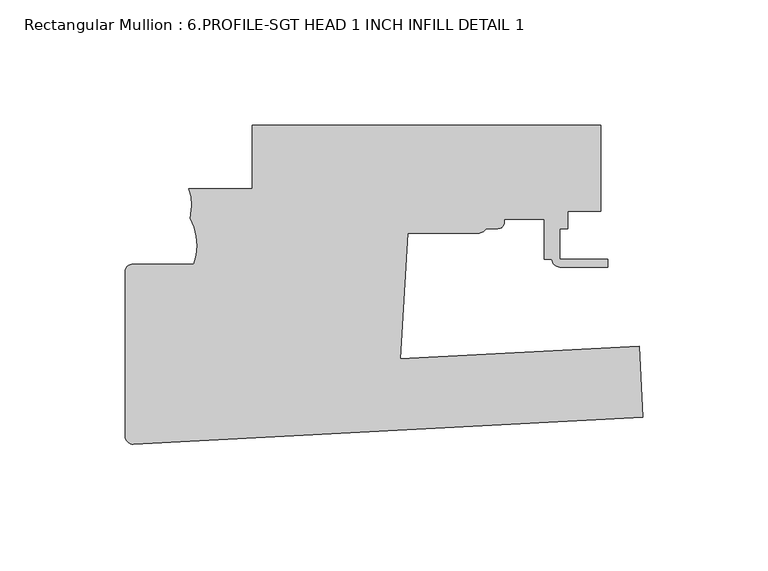
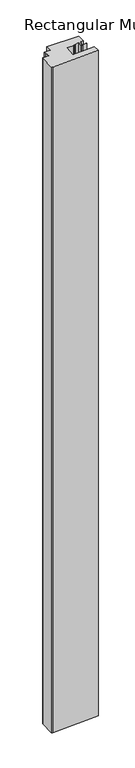
"""IFC4 building model written with IfcOpenShell, lengths in millimetres: member geometry, Rectangular Mullion : 6.PROFILE-SGT HEAD 1 INCH INFILL DETAIL 1."""

from ifc_helpers import new_model, si_unit, point, frame, frame_2d, origin, place, context, project, spatial, polyline, circle_curve, trimmed, segment, composite_curve, outline, extrude, source, transform, mapped, element, save


def rectangular_mullion_6_profile_sgt_head_1_inch_infill_detail_061e65fb(model_context):
    return source(origin(), model_context, "Body", "SweptSolid", [
        extrude(outline(composite_curve([segment(polyline([(0.0, -54.3845182), (-203.5790059, -65.0536422)]), True, "CONTINUOUS"), segment(trimmed(circle_curve(frame_2d((-203.7451726, -61.8829935)), 3.175), [point((-203.5790059, -65.0536422))], [point((-206.9201726, -61.8829935))], False, "CARTESIAN"), True, "CONTINUOUS"), segment(polyline([(-206.9201726, -61.8829935), (-206.9201726, 3.7412578)]), True, "CONTINUOUS"), segment(trimmed(circle_curve(frame_2d((-203.7451726, 3.7412578)), 3.175), [point((-206.9201726, 3.7412578))], [point((-203.7451726, 6.9162578))], False, "CARTESIAN"), True, "CONTINUOUS"), segment(polyline([(-203.7451726, 6.9162578), (-179.5305054, 6.8608888)]), True, "CONTINUOUS"), segment(trimmed(circle_curve(frame_2d((-200.590582, 14.4930316)), 22.4003667), [point((-179.5305054, 6.8608888))], [point((-180.8741064, 25.1249184))], True, "CARTESIAN"), True, "CONTINUOUS"), segment(polyline([(-180.8741064, 25.1249184), (-180.7646119, 26.8936792)]), True, "CONTINUOUS"), segment(trimmed(circle_curve(frame_2d((-197.0532581, 30.777087)), 16.7451739), [point((-180.7646119, 26.8936792))], [point((-181.5201781, 37.0320273))], True, "CARTESIAN"), True, "CONTINUOUS"), segment(polyline([(-181.5201781, 37.0320273), (-156.1202428, 37.0320273), (-156.1197256, 62.4319141), (-16.9281781, 62.4319141), (-16.9281781, 27.9408031), (-29.9719773, 27.9408031), (-29.9719773, 21.0828034), (-33.1469773, 21.0828034), (-33.1469773, 8.8802826), (-14.0969773, 8.8802826), (-14.0969773, 5.7052826), (-33.1469773, 5.7052826)]), True, "CONTINUOUS"), segment(trimmed(circle_curve(frame_2d((-33.1469773, 8.8802826)), 3.175), [point((-33.1469773, 5.7052826))], [point((-36.3219599, 8.8908031))], False, "CARTESIAN"), True, "CONTINUOUS"), segment(polyline([(-36.3219599, 8.8908031), (-39.4969773, 8.8908031), (-39.4969773, 24.7658031), (-55.3719773, 24.7658031), (-55.3719773, 23.6228033)]), True, "CONTINUOUS"), segment(trimmed(circle_curve(frame_2d((-57.9119773, 23.6228033)), 2.5399999), [point((-55.3719773, 23.6228033))], [point((-57.9119773, 21.0828034))], False, "CARTESIAN"), True, "CONTINUOUS"), segment(polyline([(-57.9119773, 21.0828034), (-62.6429221, 21.0828034)]), True, "CONTINUOUS"), segment(trimmed(circle_curve(frame_2d((-65.4940652, 22.4798031)), 3.175), [point((-62.6429221, 21.0828034))], [point((-65.4940652, 19.3048031))], False, "CARTESIAN"), True, "CONTINUOUS"), segment(polyline([(-65.4940652, 19.3048031), (-94.0218469, 19.3048031), (-97.0114252, -30.8544569), (-1.4954999, -25.8486794), (0.0, -54.3845182)]), True, "CONTINUOUS")], self_intersect=False)), frame((0.0, 0.0, -3048.0), z_axis=(0.0, 0.0, 1.0), x_axis=(1.0, 0.0, 0.0)), (0.0, 0.0, 1.0), 3048.0),
    ])


if __name__ == "__main__":
    model = new_model("IFC4")
    model_context = context("Model", 3, world=origin())
    ifc_project = project(units=[si_unit("LENGTHUNIT", "METRE", prefix="MILLI")], contexts=[model_context])
    site = spatial("IfcSite", under=ifc_project)
    building = spatial("IfcBuilding", under=site)
    placement = place(None, origin())
    rectangular_mullion_6_profile_sgt_head_1_inch_infill_detail_shape = rectangular_mullion_6_profile_sgt_head_1_inch_infill_detail_061e65fb(model_context)
    element("IfcMember", 1, ObjectType="Rectangular Mullion : 6.PROFILE-SGT HEAD 1 INCH INFILL DETAIL 1", at=placement, inside=building, context=model_context, shape_type="MappedRepresentation", body=[
        mapped(rectangular_mullion_6_profile_sgt_head_1_inch_infill_detail_shape, transform((0.0, 0.0, 0.0), x_axis=(1.0, 0.0, 0.0), y_axis=(0.0, 1.0, 0.0), z_axis=(0.0, 0.0, 1.0))),
    ])
    save(model, "model.ifc")
